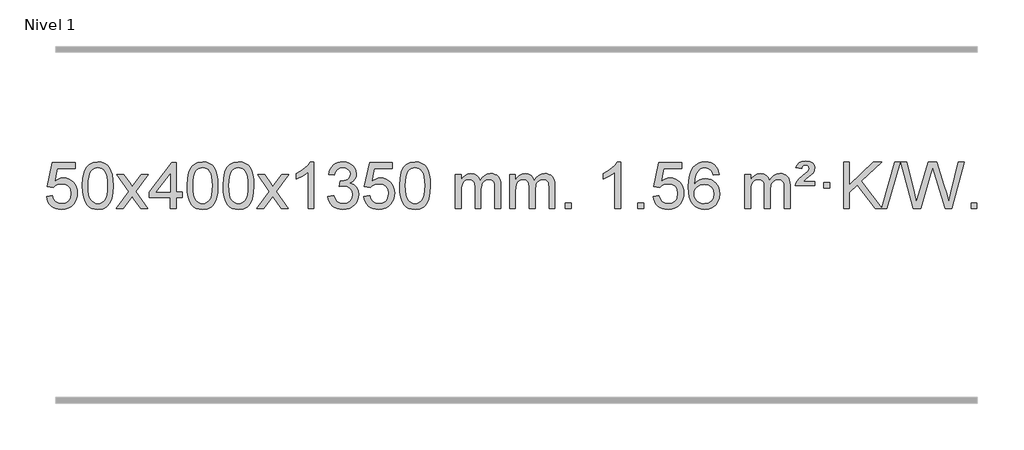
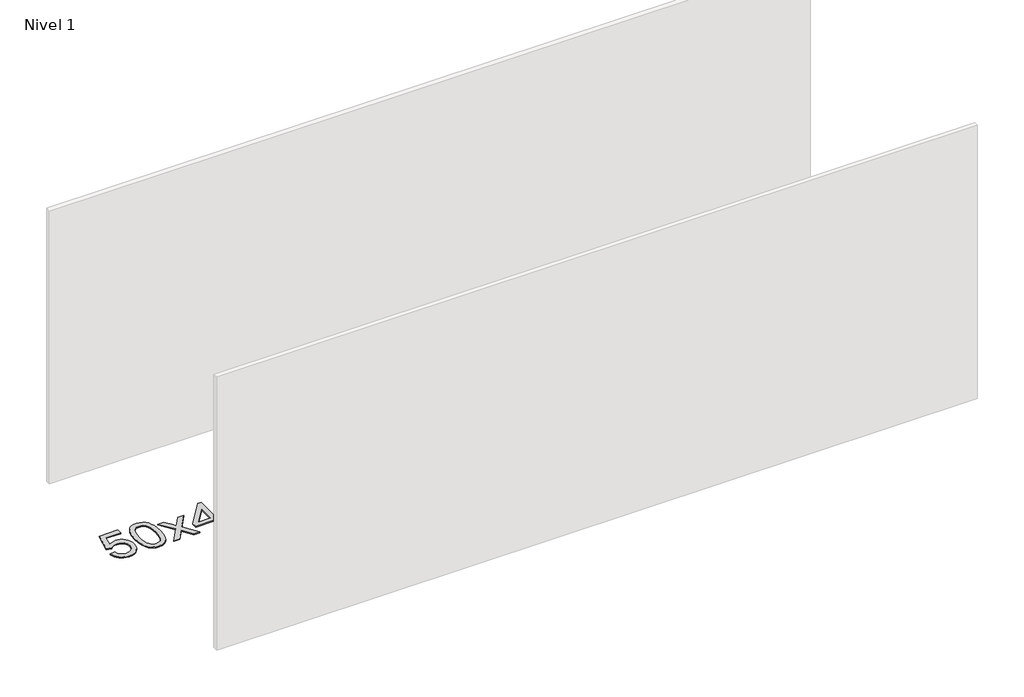
# One storey, part 8 of 18: 1 proxy.
"""IFC4 building model written with IfcOpenShell, lengths in millimetres."""

from ifc_helpers import new_model, si_unit, origin, origin_with_axes, place, context, project, spatial, polyline, outline, extrude, element, save

model = new_model("IFC4")

# Units and contexts
model_context = context("Model", 3, world=origin())
ifc_project = project(units=[si_unit("LENGTHUNIT", "METRE", prefix="MILLI")], contexts=[model_context])

# Site, building, storey
site = spatial("IfcSite", under=ifc_project)
building = spatial("IfcBuilding", under=site)
storey = spatial("IfcBuildingStorey", under=building, Name="Nivel 1", Elevation=0.0)

# Proxy
placement = place(None, origin())
element("IfcBuildingElementProxy", 1, Name="Texto de modelo 1", ObjectType="Texto de modelo 1", at=placement, inside=storey, context=model_context, shape_type="SweptSolid", body=[
    extrude(outline(polyline([(-25909.9934354, -284.8446235), (-25859.7652803, -278.5661041), (-25850.543705, -308.7201649), (-25834.454999, -330.3148381), (-25811.5727389, -343.3010725), (-25781.9705011, -347.6298173), (-25762.8406373, -346.1245668), (-25745.9671165, -341.6088153), (-25731.3499385, -334.0825628), (-25718.9891035, -323.5458094), (-25709.1605228, -310.519721), (-25702.1401081, -295.5254641), (-25696.5237763, -259.6324441), (-25701.7844888, -225.8363514), (-25708.3603795, -211.9181493), (-25717.5666264, -199.9865099), (-25729.4338865, -190.4154467), (-25743.9928164, -183.5789729), (-25781.1856861, -178.1097939), (-25805.5517369, -180.2925604), (-25825.2824746, -186.8408599), (-25841.0400868, -196.8717757), (-25853.4867609, -209.5023908), (-25903.714916, -203.2238715), (-25859.7652803, 3.9672682), (-25665.1311794, 3.9672682), (-25665.1311794, -46.2608869), (-25819.151108, -46.2608869), (-25840.6354166, -156.919791), (-25822.9096358, -144.2155994), (-25804.7546593, -135.1411769), (-25786.1704872, -129.6965234), (-25767.1571194, -127.8816388), (-25742.6960324, -130.1318504), (-25720.2276395, -136.882485), (-25699.7519408, -148.1335427), (-25681.2689362, -163.8850234), (-25665.9681109, -183.1743027), (-25655.03895, -205.038756), (-25648.4814534, -229.4783832), (-25646.2956212, -256.4931844), (-25648.2637899, -282.5147042), (-25654.1682959, -306.7213394), (-25664.0091393, -329.1130902), (-25677.78632, -349.6899565), (-25698.6574919, -370.7634634), (-25723.01128, -385.8159684), (-25750.8476843, -394.8474714), (-25782.1667048, -397.8579724), (-25808.087057, -395.9235262), (-25831.4996803, -390.1201877), (-25852.4045747, -380.447957), (-25870.8017402, -366.9068338), (-25886.1086968, -350.1712688), (-25897.7429649, -330.915712), (-25905.7045445, -309.1401636), (-25909.9934354, -284.8446235)])), origin_with_axes(), (0.0, 0.0, 1.0), 10.0),
    extrude(outline(polyline([(-25602.3459855, -193.9041943), (-25598.6549029, -129.5861588), (-25587.5816548, -78.2911459), (-25569.236606, -39.2343407), (-25557.378543, -24.0009605), (-25543.730121, -11.6309284), (-25528.2453547, -2.0598651), (-25510.8782588, 4.7766086), (-25470.4970785, 10.2457876), (-25439.5459399, 7.008426), (-25411.832163, -2.7036586), (-25388.6555973, -18.5103217), (-25371.3160926, -40.0314184), (-25358.2194935, -67.0830078), (-25347.7716449, -99.4811488), (-25340.9290398, -140.6226186), (-25338.6481714, -193.9041943), (-25342.3024659, -257.8543477), (-25353.2653493, -309.0267333), (-25371.5000336, -348.1203266), (-25383.3305054, -363.3996922), (-25396.9697304, -375.8341036), (-25412.4728908, -385.4695462), (-25429.8951689, -392.3520052), (-25470.4970785, -397.8579724), (-25498.1618045, -395.4667394), (-25522.6872709, -388.2930405), (-25544.0734775, -376.3368757), (-25562.3204245, -359.5982449), (-25579.8316074, -329.3399508), (-25592.3395953, -291.6381776), (-25599.844388, -246.4929255), (-25602.3459855, -193.9041943)]), holes=[polyline([(-25552.1178305, -193.8060924), (-25550.6463025, -237.4706195), (-25546.2317185, -272.8148822), (-25538.8740786, -299.8388804), (-25528.5733828, -318.5426142), (-25516.1144459, -331.2682656), (-25502.2820829, -340.3580165), (-25487.0762937, -345.8118671), (-25470.4970785, -347.6298173), (-25453.9178632, -345.8057357), (-25438.7120741, -340.3334911), (-25424.8797111, -331.2130833), (-25412.4207742, -318.4445124), (-25402.1200783, -299.7101217), (-25394.7624384, -272.6922549), (-25390.3478545, -237.3909118), (-25388.8763265, -193.8060924), (-25390.2988035, -151.2973278), (-25394.5662347, -116.5753989), (-25401.6786199, -89.6403055), (-25411.6359592, -70.4920476), (-25423.8864297, -57.1440625), (-25437.8782082, -47.6097875), (-25453.6112949, -41.8892225), (-25471.0856897, -39.9823675), (-25487.5790658, -41.6623619), (-25502.5273375, -46.7023452), (-25515.9305049, -55.1023175), (-25527.7885679, -66.8622786), (-25538.4326203, -87.708925), (-25546.0355148, -115.8151094), (-25550.5972516, -151.1808319), (-25552.1178305, -193.8060924)])]), origin_with_axes(), (0.0, 0.0, 1.0), 10.0),
    extrude(outline(polyline([(-25313.5340939, -391.579453), (-25206.2106531, -243.2494325), (-25307.2555745, -96.4890419), (-25246.8248254, -96.4890419), (-25198.0681983, -167.122385), (-25175.3085655, -200.4770192), (-25155.5900906, -173.2047007), (-25100.0644348, -96.4890419), (-25039.6336857, -96.4890419), (-25145.7799041, -243.2494325), (-25043.5577603, -391.579453), (-25103.9885094, -391.579453), (-25165.498379, -302.4048574), (-25176.7800935, -286.1199477), (-25253.1033448, -391.579453), (-25313.5340939, -391.579453)])), origin_with_axes(), (0.0, 0.0, 1.0), 10.0),
    extrude(outline(polyline([(-24848.9236594, -391.579453), (-24848.9236594, -297.4016622), (-25031.0007216, -297.4016622), (-25031.0007216, -247.1735072), (-24836.3666207, 3.9672682), (-24798.6955043, 3.9672682), (-24798.6955043, -247.1735072), (-24748.4673493, -247.1735072), (-24748.4673493, -297.4016622), (-24798.6955043, -297.4016622), (-24798.6955043, -391.579453), (-24848.9236594, -391.579453)]), holes=[polyline([(-24848.9236594, -247.1735072), (-24848.9236594, -91.9763561), (-24969.1965464, -247.1735072), (-24848.9236594, -247.1735072)])]), origin_with_axes(), (0.0, 0.0, 1.0), 10.0),
    extrude(outline(polyline([(-24704.5177136, -193.9041943), (-24700.8266309, -129.5861588), (-24689.7533828, -78.2911459), (-24671.408334, -39.2343407), (-24659.550271, -24.0009605), (-24645.901849, -11.6309284), (-24630.4170827, -2.0598651), (-24613.0499869, 4.7766086), (-24572.6688065, 10.2457876), (-24541.717668, 7.008426), (-24514.003891, -2.7036586), (-24490.8273253, -18.5103217), (-24473.4878206, -40.0314184), (-24460.3912216, -67.0830078), (-24449.9433729, -99.4811488), (-24443.1007678, -140.6226186), (-24440.8198994, -193.9041943), (-24444.4741939, -257.8543477), (-24455.4370774, -309.0267333), (-24473.6717616, -348.1203266), (-24485.5022334, -363.3996922), (-24499.1414584, -375.8341036), (-24514.6446188, -385.4695462), (-24532.066897, -392.3520052), (-24572.6688065, -397.8579724), (-24600.3335326, -395.4667394), (-24624.8589989, -388.2930405), (-24646.2452055, -376.3368757), (-24664.4921525, -359.5982449), (-24682.0033355, -329.3399508), (-24694.5113233, -291.6381776), (-24702.016116, -246.4929255), (-24704.5177136, -193.9041943)]), holes=[polyline([(-24654.2895585, -193.8060924), (-24652.8180305, -237.4706195), (-24648.4034466, -272.8148822), (-24641.0458067, -299.8388804), (-24630.7451108, -318.5426142), (-24618.2861739, -331.2682656), (-24604.4538109, -340.3580165), (-24589.2480218, -345.8118671), (-24572.6688065, -347.6298173), (-24556.0895913, -345.8057357), (-24540.8838021, -340.3334911), (-24527.0514391, -331.2130833), (-24514.5925022, -318.4445124), (-24504.2918063, -299.7101217), (-24496.9341664, -272.6922549), (-24492.5195825, -237.3909118), (-24491.0480545, -193.8060924), (-24492.4705316, -151.2973278), (-24496.7379627, -116.5753989), (-24503.8503479, -89.6403055), (-24513.8076873, -70.4920476), (-24526.0581577, -57.1440625), (-24540.0499363, -47.6097875), (-24555.7830229, -41.8892225), (-24573.2574177, -39.9823675), (-24589.7507938, -41.6623619), (-24604.6990656, -46.7023452), (-24618.1022329, -55.1023175), (-24629.9602959, -66.8622786), (-24640.6043483, -87.708925), (-24648.2072429, -115.8151094), (-24652.7689796, -151.1808319), (-24654.2895585, -193.8060924)])]), origin_with_axes(), (0.0, 0.0, 1.0), 10.0),
    extrude(outline(polyline([(-24396.8702638, -193.9041943), (-24393.1791811, -129.5861588), (-24382.105933, -78.2911459), (-24363.7608842, -39.2343407), (-24351.9028212, -24.0009605), (-24338.2543992, -11.6309284), (-24322.7696329, -2.0598651), (-24305.402537, 4.7766086), (-24265.0213567, 10.2457876), (-24234.0702182, 7.008426), (-24206.3564412, -2.7036586), (-24183.1798755, -18.5103217), (-24165.8403708, -40.0314184), (-24152.7437718, -67.0830078), (-24142.2959231, -99.4811488), (-24135.453318, -140.6226186), (-24133.1724496, -193.9041943), (-24136.8267441, -257.8543477), (-24147.7896275, -309.0267333), (-24166.0243118, -348.1203266), (-24177.8547836, -363.3996922), (-24191.4940086, -375.8341036), (-24206.997169, -385.4695462), (-24224.4194471, -392.3520052), (-24265.0213567, -397.8579724), (-24292.6860827, -395.4667394), (-24317.2115491, -388.2930405), (-24338.5977557, -376.3368757), (-24356.8447027, -359.5982449), (-24374.3558856, -329.3399508), (-24386.8638735, -291.6381776), (-24394.3686662, -246.4929255), (-24396.8702638, -193.9041943)]), holes=[polyline([(-24346.6421087, -193.8060924), (-24345.1705807, -237.4706195), (-24340.7559968, -272.8148822), (-24333.3983568, -299.8388804), (-24323.097661, -318.5426142), (-24310.6387241, -331.2682656), (-24296.8063611, -340.3580165), (-24281.6005719, -345.8118671), (-24265.0213567, -347.6298173), (-24248.4421414, -345.8057357), (-24233.2363523, -340.3334911), (-24219.4039893, -331.2130833), (-24206.9450524, -318.4445124), (-24196.6443565, -299.7101217), (-24189.2867166, -272.6922549), (-24184.8721327, -237.3909118), (-24183.4006047, -193.8060924), (-24184.8230817, -151.2973278), (-24189.0905129, -116.5753989), (-24196.2028981, -89.6403055), (-24206.1602375, -70.4920476), (-24218.4107079, -57.1440625), (-24232.4024864, -47.6097875), (-24248.1355731, -41.8892225), (-24265.6099679, -39.9823675), (-24282.103344, -41.6623619), (-24297.0516157, -46.7023452), (-24310.4547831, -55.1023175), (-24322.3128461, -66.8622786), (-24332.9568985, -87.708925), (-24340.559793, -115.8151094), (-24345.1215298, -151.1808319), (-24346.6421087, -193.8060924)])]), origin_with_axes(), (0.0, 0.0, 1.0), 10.0),
    extrude(outline(polyline([(-24108.0583721, -391.579453), (-24000.7349313, -243.2494325), (-24101.7798527, -96.4890419), (-24041.3491036, -96.4890419), (-23992.5924765, -167.122385), (-23969.8328437, -200.4770192), (-23950.1143688, -173.2047007), (-23894.588713, -96.4890419), (-23834.1579639, -96.4890419), (-23940.3041823, -243.2494325), (-23838.0820385, -391.579453), (-23898.5127876, -391.579453), (-23960.0226572, -302.4048574), (-23971.3043717, -286.1199477), (-24047.627623, -391.579453), (-24108.0583721, -391.579453)])), origin_with_axes(), (0.0, 0.0, 1.0), 10.0),
    extrude(outline(polyline([(-23618.3338601, -391.579453), (-23668.5620152, -391.579453), (-23668.5620152, -78.4382987), (-23689.5312889, -95.3976587), (-23716.1414199, -112.3324932), (-23769.0183253, -137.6918254), (-23769.0183253, -90.2105225), (-23729.5691127, -68.7507395), (-23695.3928753, -43.219729), (-23668.4516506, -16.0700378), (-23650.7074757, 10.2457876), (-23618.3338601, 10.2457876), (-23618.3338601, -391.579453)])), origin_with_axes(), (0.0, 0.0, 1.0), 10.0),
    extrude(outline(polyline([(-23499.0419918, -284.8446235), (-23448.8138367, -278.5661041), (-23437.5689104, -310.1303793), (-23421.1000597, -331.4430095), (-23398.5979444, -343.5831154), (-23369.2532239, -347.6298173), (-23334.8194691, -342.0625364), (-23320.5456477, -335.1034354), (-23308.2338636, -325.3606939), (-23291.2377154, -300.4428201), (-23285.5723327, -270.2274455), (-23291.1886645, -241.5449126), (-23308.0376599, -218.2825078), (-23333.5441449, -202.8682522), (-23365.1329455, -197.730167), (-23400.3515152, -203.2238715), (-23394.7597089, -152.9957164), (-23386.7153559, -153.5843276), (-23356.6226087, -149.979084), (-23329.7181721, -139.1633534), (-23318.6449241, -130.9841103), (-23310.7354612, -120.8673555), (-23305.9897835, -108.8130888), (-23304.4078909, -94.8213102), (-23308.9941531, -73.1285352), (-23322.7529397, -55.5315131), (-23343.7467389, -43.8696539), (-23370.0380388, -39.9823675), (-23396.3783897, -43.9064421), (-23417.9117491, -55.6786659), (-23433.632573, -75.299039), (-23442.5353173, -102.7675613), (-23492.7634724, -96.4890419), (-23486.8099154, -72.5092672), (-23477.9746162, -51.3867093), (-23466.2575747, -33.1213683), (-23451.6587908, -17.713244), (-23434.6381172, -5.4811677), (-23415.6554062, 3.2560297), (-23394.710658, 8.4983481), (-23371.8038724, 10.2457876), (-23340.2273345, 6.7999596), (-23311.2259705, -3.5375245), (-23286.7740806, -19.8469596), (-23268.8459647, -41.2086408), (-23257.846293, -65.8199463), (-23254.1797358, -91.8782543), (-23257.662352, -116.1584659), (-23268.1102007, -138.1823347), (-23285.376129, -156.9443165), (-23309.3129841, -171.4388671), (-23277.8713363, -184.1430586), (-23254.5721433, -205.77452), (-23240.151169, -235.1560286), (-23235.3441776, -271.1103623), (-23237.7476733, -296.5923218), (-23244.9581605, -320.0631931), (-23256.975639, -341.5229762), (-23273.8001089, -360.971671), (-23294.2972674, -377.1094278), (-23317.3328116, -388.636397), (-23342.9067417, -395.5525785), (-23371.0190575, -397.8579724), (-23396.4274406, -395.8898037), (-23419.5794808, -389.9852977), (-23440.4751782, -380.1444543), (-23459.1145326, -366.3672736), (-23474.743386, -349.4630959), (-23486.6075804, -330.2412617), (-23494.7071156, -308.7017708), (-23499.0419918, -284.8446235)])), origin_with_axes(), (0.0, 0.0, 1.0), 10.0),
    extrude(outline(polyline([(-23191.394542, -284.8446235), (-23141.1663869, -278.5661041), (-23131.9448115, -308.7201649), (-23115.8561056, -330.3148381), (-23092.9738455, -343.3010725), (-23063.3716076, -347.6298173), (-23044.2417439, -346.1245668), (-23027.368223, -341.6088153), (-23012.7510451, -334.0825628), (-23000.3902101, -323.5458094), (-22990.5616294, -310.519721), (-22983.5412147, -295.5254641), (-22977.9248829, -259.6324441), (-22983.1855954, -225.8363514), (-22989.7614861, -211.9181493), (-22998.967733, -199.9865099), (-23010.834993, -190.4154467), (-23025.393923, -183.5789729), (-23062.5867927, -178.1097939), (-23086.9528435, -180.2925604), (-23106.6835812, -186.8408599), (-23122.4411933, -196.8717757), (-23134.8878675, -209.5023908), (-23185.1160226, -203.2238715), (-23141.1663869, 3.9672682), (-22946.532286, 3.9672682), (-22946.532286, -46.2608869), (-23100.5522146, -46.2608869), (-23122.0365231, -156.919791), (-23104.3107423, -144.2155994), (-23086.1557659, -135.1411769), (-23067.5715937, -129.6965234), (-23048.558226, -127.8816388), (-23024.097139, -130.1318504), (-23001.6287461, -136.882485), (-22981.1530474, -148.1335427), (-22962.6700428, -163.8850234), (-22947.3692175, -183.1743027), (-22936.4400566, -205.038756), (-22929.88256, -229.4783832), (-22927.6967278, -256.4931844), (-22929.6648965, -282.5147042), (-22935.5694025, -306.7213394), (-22945.4102459, -329.1130902), (-22959.1874266, -349.6899565), (-22980.0585985, -370.7634634), (-23004.4123865, -385.8159684), (-23032.2487908, -394.8474714), (-23063.5678114, -397.8579724), (-23089.4881636, -395.9235262), (-23112.9007869, -390.1201877), (-23133.8056813, -380.447957), (-23152.2028467, -366.9068338), (-23167.5098034, -350.1712688), (-23179.1440715, -330.915712), (-23187.105651, -309.1401636), (-23191.394542, -284.8446235)])), origin_with_axes(), (0.0, 0.0, 1.0), 10.0),
    extrude(outline(polyline([(-22883.7470921, -193.9041943), (-22880.0560094, -129.5861588), (-22868.9827614, -78.2911459), (-22850.6377126, -39.2343407), (-22838.7796496, -24.0009605), (-22825.1312276, -11.6309284), (-22809.6464612, -2.0598651), (-22792.2793654, 4.7766086), (-22751.8981851, 10.2457876), (-22720.9470465, 7.008426), (-22693.2332696, -2.7036586), (-22670.0567039, -18.5103217), (-22652.7171992, -40.0314184), (-22639.6206001, -67.0830078), (-22629.1727515, -99.4811488), (-22622.3301463, -140.6226186), (-22620.049278, -193.9041943), (-22623.7035725, -257.8543477), (-22634.6664559, -309.0267333), (-22652.9011401, -348.1203266), (-22664.731612, -363.3996922), (-22678.3708369, -375.8341036), (-22693.8739974, -385.4695462), (-22711.2962755, -392.3520052), (-22751.8981851, -397.8579724), (-22779.5629111, -395.4667394), (-22804.0883774, -388.2930405), (-22825.4745841, -376.3368757), (-22843.721531, -359.5982449), (-22861.232714, -329.3399508), (-22873.7407019, -291.6381776), (-22881.2454946, -246.4929255), (-22883.7470921, -193.9041943)]), holes=[polyline([(-22833.518937, -193.8060924), (-22832.0474091, -237.4706195), (-22827.6328251, -272.8148822), (-22820.2751852, -299.8388804), (-22809.9744894, -318.5426142), (-22797.5155525, -331.2682656), (-22783.6831894, -340.3580165), (-22768.4774003, -345.8118671), (-22751.8981851, -347.6298173), (-22735.3189698, -345.8057357), (-22720.1131807, -340.3334911), (-22706.2808176, -331.2130833), (-22693.8218807, -318.4445124), (-22683.5211849, -299.7101217), (-22676.163545, -272.6922549), (-22671.748961, -237.3909118), (-22670.2774331, -193.8060924), (-22671.6999101, -151.2973278), (-22675.9673412, -116.5753989), (-22683.0797265, -89.6403055), (-22693.0370658, -70.4920476), (-22705.2875363, -57.1440625), (-22719.2793148, -47.6097875), (-22735.0124015, -41.8892225), (-22752.4867962, -39.9823675), (-22768.9801724, -41.6623619), (-22783.9284441, -46.7023452), (-22797.3316115, -55.1023175), (-22809.1896744, -66.8622786), (-22819.8337268, -87.708925), (-22827.4366214, -115.8151094), (-22831.9983581, -151.1808319), (-22833.518937, -193.8060924)])]), origin_with_axes(), (0.0, 0.0, 1.0), 10.0),
    extrude(outline(polyline([(-22406.5796189, -391.579453), (-22406.5796189, -96.4890419), (-22356.3514638, -96.4890419), (-22356.3514638, -145.0494653), (-22341.2437766, -122.7435536), (-22321.8196072, -105.2691589), (-22298.7411434, -93.9751816), (-22272.6705727, -90.2105225), (-22244.7360665, -94.048758), (-22222.3443157, -105.5634645), (-22205.6179477, -123.9943524), (-22194.6795897, -148.5811324), (-22176.3713291, -123.0439906), (-22155.4878945, -104.803175), (-22132.0292859, -93.8586857), (-22105.9955034, -90.2105225), (-22085.8876867, -91.7280358), (-22068.2385479, -96.2805755), (-22053.0480872, -103.8681416), (-22040.3163045, -114.4907342), (-22030.2516663, -128.2709806), (-22023.0626389, -145.3315082), (-22018.7492225, -165.6723168), (-22017.3114171, -189.2934066), (-22017.3114171, -391.579453), (-22067.5395722, -391.579453), (-22067.5395722, -210.875817), (-22068.7045318, -185.8230531), (-22072.1994108, -168.9372695), (-22078.7477103, -157.3735121), (-22089.0729316, -148.2868268), (-22102.3534716, -142.4007149), (-22117.7677272, -140.4386776), (-22144.9787321, -145.4663982), (-22167.1620165, -160.54956), (-22175.7673895, -172.1194488), (-22181.9140845, -186.7182326), (-22186.8314405, -225.0024856), (-22186.8314405, -391.579453), (-22237.0595955, -391.579453), (-22237.0595955, -205.2840106), (-22239.9658633, -176.8835206), (-22248.6846666, -156.6254854), (-22264.0253458, -144.4853796), (-22286.7972413, -140.4386776), (-22306.1478342, -143.1364789), (-22323.9778483, -151.2298828), (-22338.6931281, -164.5226856), (-22348.6995183, -182.8186835), (-22354.4384775, -208.2025411), (-22356.3514638, -242.7589232), (-22356.3514638, -391.579453), (-22406.5796189, -391.579453)])), origin_with_axes(), (0.0, 0.0, 1.0), 10.0),
    extrude(outline(polyline([(-21941.9691845, -391.579453), (-21941.9691845, -96.4890419), (-21891.7410294, -96.4890419), (-21891.7410294, -145.0494653), (-21876.6333421, -122.7435536), (-21857.2091728, -105.2691589), (-21834.130709, -93.9751816), (-21808.0601382, -90.2105225), (-21780.1256321, -94.048758), (-21757.7338813, -105.5634645), (-21741.0075132, -123.9943524), (-21730.0691552, -148.5811324), (-21711.7608946, -123.0439906), (-21690.87746, -104.803175), (-21667.4188515, -93.8586857), (-21641.3850689, -90.2105225), (-21621.2772522, -91.7280358), (-21603.6281135, -96.2805755), (-21588.4376528, -103.8681416), (-21575.7058701, -114.4907342), (-21565.6412318, -128.2709806), (-21558.4522045, -145.3315082), (-21554.1387881, -165.6723168), (-21552.7009826, -189.2934066), (-21552.7009826, -391.579453), (-21602.9291377, -391.579453), (-21602.9291377, -210.875817), (-21604.0940974, -185.8230531), (-21607.5889763, -168.9372695), (-21614.1372758, -157.3735121), (-21624.4624972, -148.2868268), (-21637.7430372, -142.4007149), (-21653.1572928, -140.4386776), (-21680.3682977, -145.4663982), (-21702.551582, -160.54956), (-21711.156955, -172.1194488), (-21717.30365, -186.7182326), (-21722.221006, -225.0024856), (-21722.221006, -391.579453), (-21772.4491611, -391.579453), (-21772.4491611, -205.2840106), (-21775.3554289, -176.8835206), (-21784.0742321, -156.6254854), (-21799.4149113, -144.4853796), (-21822.1868068, -140.4386776), (-21841.5373998, -143.1364789), (-21859.3674138, -151.2298828), (-21874.0826936, -164.5226856), (-21884.0890839, -182.8186835), (-21889.828043, -208.2025411), (-21891.7410294, -242.7589232), (-21891.7410294, -391.579453), (-21941.9691845, -391.579453)])), origin_with_axes(), (0.0, 0.0, 1.0), 10.0),
    extrude(outline(polyline([(-21464.8017113, -391.579453), (-21464.8017113, -341.3512979), (-21414.5735562, -341.3512979), (-21414.5735562, -391.579453), (-21464.8017113, -391.579453)])), origin_with_axes(), (0.0, 0.0, 1.0), 10.0),
    extrude(outline(polyline([(-20987.634238, -391.579453), (-21037.8623931, -391.579453), (-21037.8623931, -78.4382987), (-21058.8316668, -95.3976587), (-21085.4417978, -112.3324932), (-21138.3187033, -137.6918254), (-21138.3187033, -90.2105225), (-21098.8694907, -68.7507395), (-21064.6932533, -43.219729), (-21037.7520285, -16.0700378), (-21020.0078536, 10.2457876), (-20987.634238, 10.2457876), (-20987.634238, -391.579453)])), origin_with_axes(), (0.0, 0.0, 1.0), 10.0),
    extrude(outline(polyline([(-20843.2282922, -391.579453), (-20843.2282922, -341.3512979), (-20793.0001371, -341.3512979), (-20793.0001371, -391.579453), (-20843.2282922, -391.579453)])), origin_with_axes(), (0.0, 0.0, 1.0), 10.0),
    extrude(outline(polyline([(-20711.3793851, -284.8446235), (-20661.1512301, -278.5661041), (-20651.9296547, -308.7201649), (-20635.8409488, -330.3148381), (-20612.9586887, -343.3010725), (-20583.3564508, -347.6298173), (-20564.2265871, -346.1245668), (-20547.3530662, -341.6088153), (-20532.7358883, -334.0825628), (-20520.3750532, -323.5458094), (-20510.5464726, -310.519721), (-20503.5260579, -295.5254641), (-20497.9097261, -259.6324441), (-20503.1704386, -225.8363514), (-20509.7463293, -211.9181493), (-20518.9525762, -199.9865099), (-20530.8198362, -190.4154467), (-20545.3787662, -183.5789729), (-20582.5716359, -178.1097939), (-20606.9376867, -180.2925604), (-20626.6684244, -186.8408599), (-20642.4260365, -196.8717757), (-20654.8727107, -209.5023908), (-20705.1008658, -203.2238715), (-20661.1512301, 3.9672682), (-20466.5171291, 3.9672682), (-20466.5171291, -46.2608869), (-20620.5370578, -46.2608869), (-20642.0213663, -156.919791), (-20624.2955855, -144.2155994), (-20606.1406091, -135.1411769), (-20587.5564369, -129.6965234), (-20568.5430691, -127.8816388), (-20544.0819821, -130.1318504), (-20521.6135893, -136.882485), (-20501.1378906, -148.1335427), (-20482.654886, -163.8850234), (-20467.3540607, -183.1743027), (-20456.4248997, -205.038756), (-20449.8674032, -229.4783832), (-20447.681571, -256.4931844), (-20449.6497397, -282.5147042), (-20455.5542457, -306.7213394), (-20465.3950891, -329.1130902), (-20479.1722698, -349.6899565), (-20500.0434416, -370.7634634), (-20524.3972297, -385.8159684), (-20552.233634, -394.8474714), (-20583.5526545, -397.8579724), (-20609.4730068, -395.9235262), (-20632.8856301, -390.1201877), (-20653.7905245, -380.447957), (-20672.1876899, -366.9068338), (-20687.4946466, -350.1712688), (-20699.1289147, -330.915712), (-20707.0904942, -309.1401636), (-20711.3793851, -284.8446235)])), origin_with_axes(), (0.0, 0.0, 1.0), 10.0),
    extrude(outline(polyline([(-20146.3126405, -96.4890419), (-20196.5407956, -102.7675613), (-20204.6341995, -77.874213), (-20215.5725575, -60.8780648), (-20238.3567157, -45.2062918), (-20265.8988144, -39.9823675), (-20289.2470584, -43.0235253), (-20311.2218763, -52.1469988), (-20330.0942226, -71.3627017), (-20345.5084782, -97.8134171), (-20355.9195387, -135.227016), (-20359.7822996, -187.3313693), (-20339.634629, -163.8237098), (-20315.4893074, -147.2567573), (-20288.6952354, -137.434308), (-20260.6013137, -134.1601582), (-20236.4682548, -136.398107), (-20214.1991314, -143.1119534), (-20193.7939434, -154.3016975), (-20175.2526908, -169.9673391), (-20159.8445666, -189.1769106), (-20148.8387636, -210.9984443), (-20142.2352818, -235.4319401), (-20140.0341212, -262.4773982), (-20144.178925, -298.4439945), (-20156.6133364, -331.786366), (-20176.3072859, -360.0642287), (-20202.2307038, -380.8372987), (-20233.2063678, -393.602804), (-20268.0570555, -397.8579724), (-20297.9995842, -395.0375437), (-20325.0419765, -386.5762579), (-20349.1842325, -372.4741147), (-20370.426352, -352.7311143), (-20387.7443969, -326.5133908), (-20400.114429, -292.9870783), (-20407.5364483, -252.1521768), (-20410.0104547, -204.0086864), (-20407.2636025, -150.0342663), (-20399.0230458, -103.9693092), (-20385.2887846, -65.8138149), (-20366.060819, -35.5677835), (-20345.220304, -15.5243462), (-20321.0565883, -1.2076052), (-20293.5696718, 7.3824394), (-20262.7595548, 10.2457876), (-20239.6259086, 8.4738227), (-20218.6872917, 3.1579278), (-20199.9437041, -5.7018969), (-20183.3951457, -18.1056515), (-20169.4892062, -33.6364031), (-20158.6734756, -51.8772186), (-20150.9479537, -72.8280983), (-20146.3126405, -96.4890419)]), holes=[polyline([(-20359.7822996, -261.6925832), (-20356.8760319, -283.9494439), (-20348.1572286, -305.2007605), (-20334.6191711, -323.472233), (-20317.255141, -336.7895612), (-20296.29813, -344.9197533), (-20271.9811301, -347.6298173), (-20238.8349623, -342.0134855), (-20224.9198259, -334.9930708), (-20212.7766543, -325.1644901), (-20202.9266139, -312.9262824), (-20195.8908708, -298.6769865), (-20190.2622762, -264.1451299), (-20195.8172944, -230.9989621), (-20202.761067, -217.3781312), (-20212.4823487, -205.725469), (-20224.6623085, -196.3904634), (-20238.9821151, -189.7226022), (-20274.0412693, -184.3883133), (-20307.1383861, -189.7226022), (-20334.8153749, -205.725469), (-20345.7384044, -217.2248471), (-20353.5405684, -230.3858254), (-20358.2218668, -245.2084042), (-20359.7822996, -261.6925832)])]), origin_with_axes(), (0.0, 0.0, 1.0), 10.0),
    extrude(outline(polyline([(-19926.5644621, -391.579453), (-19926.5644621, -96.4890419), (-19876.336307, -96.4890419), (-19876.336307, -145.0494653), (-19861.2286197, -122.7435536), (-19841.8044504, -105.2691589), (-19818.7259866, -93.9751816), (-19792.6554158, -90.2105225), (-19764.7209097, -94.048758), (-19742.3291589, -105.5634645), (-19725.6027909, -123.9943524), (-19714.6644329, -148.5811324), (-19696.3561722, -123.0439906), (-19675.4727377, -104.803175), (-19652.0141291, -93.8586857), (-19625.9803466, -90.2105225), (-19605.8725298, -91.7280358), (-19588.2233911, -96.2805755), (-19573.0329304, -103.8681416), (-19560.3011477, -114.4907342), (-19550.2365094, -128.2709806), (-19543.0474821, -145.3315082), (-19538.7340657, -165.6723168), (-19537.2962603, -189.2934066), (-19537.2962603, -391.579453), (-19587.5244153, -391.579453), (-19587.5244153, -210.875817), (-19588.689375, -185.8230531), (-19592.1842539, -168.9372695), (-19598.7325535, -157.3735121), (-19609.0577748, -148.2868268), (-19622.3383148, -142.4007149), (-19637.7525704, -140.4386776), (-19664.9635753, -145.4663982), (-19687.1468596, -160.54956), (-19695.7522326, -172.1194488), (-19701.8989276, -186.7182326), (-19706.8162836, -225.0024856), (-19706.8162836, -391.579453), (-19757.0444387, -391.579453), (-19757.0444387, -205.2840106), (-19759.9507065, -176.8835206), (-19768.6695098, -156.6254854), (-19784.010189, -144.4853796), (-19806.7820845, -140.4386776), (-19826.1326774, -143.1364789), (-19843.9626914, -151.2298828), (-19858.6779713, -164.5226856), (-19868.6843615, -182.8186835), (-19874.4233206, -208.2025411), (-19876.336307, -242.7589232), (-19876.336307, -391.579453), (-19926.5644621, -391.579453)])), origin_with_axes(), (0.0, 0.0, 1.0), 10.0),
    extrude(outline(polyline([(-19493.3466246, -190.6668327), (-19489.5206518, -174.8479069), (-19481.1819933, -158.9799302), (-19459.6731593, -133.8413272), (-19427.7164766, -106.1030247), (-19383.5706372, -68.726214), (-19376.4337265, -57.1992448), (-19374.0547563, -45.3779701), (-19375.9432172, -33.2869152), (-19381.6085999, -23.5012541), (-19390.977328, -17.026531), (-19403.9758252, -14.8682899), (-19416.4102366, -16.4869707), (-19425.26393, -21.343013), (-19431.6896022, -30.8098431), (-19436.8399501, -46.2608869), (-19487.0681052, -39.9823675), (-19476.2278491, -14.7701881), (-19459.5995829, 2.7900458), (-19435.834406, 13.0907417), (-19403.5834178, 16.524307), (-19367.8007624, 12.3917659), (-19343.0545668, -0.0058573), (-19328.6335926, -18.3386434), (-19323.8266012, -40.2766731), (-19327.9223541, -63.1834586), (-19340.2096127, -84.8149199), (-19360.737428, -104.6314968), (-19397.2067965, -132.6886303), (-19422.8113834, -159.2742358), (-19323.8266012, -159.2742358), (-19323.8266012, -190.6668327), (-19493.3466246, -190.6668327)])), origin_with_axes(), (0.0, 0.0, 1.0), 10.0),
    extrude(outline(polyline([(-19248.4843686, -215.7809102), (-19248.4843686, -165.5527552), (-19198.2562135, -165.5527552), (-19198.2562135, -215.7809102), (-19248.4843686, -215.7809102)])), origin_with_axes(), (0.0, 0.0, 1.0), 10.0),
    extrude(outline(polyline([(-18807.6145856, -391.579453), (-18961.045903, -188.9009991), (-19028.7361901, -253.4520265), (-19028.7361901, -391.579453), (-19078.9643452, -391.579453), (-19078.9643452, 10.2457876), (-19028.7361901, 10.2457876), (-19028.7361901, -186.4484525), (-18822.7222728, 10.2457876), (-18752.4813372, 10.2457876), (-18925.4349259, -154.9577537), (-18750.781316, -385.5349332), (-18639.4679883, 10.2457876), (-18594.1449265, 10.2457876), (-18707.1582754, -391.579453), (-18746.2028178, -391.579453), (-18752.4813372, -391.579453), (-18807.6145856, -391.579453)])), origin_with_axes(), (0.0, 0.0, 1.0), 10.0),
    extrude(outline(polyline([(-18479.6600496, -391.579453), (-18589.2398332, 10.2457876), (-18537.4420483, 10.2457876), (-18473.8720395, -253.844434), (-18454.2516665, -335.3670841), (-18433.2578673, -263.2622131), (-18353.5991526, 10.2457876), (-18278.943633, 10.2457876), (-18221.0635325, -188.0180823), (-18196.268286, -261.5944814), (-18177.9968136, -335.3670841), (-18158.9650517, -256.1988788), (-18094.8064317, 10.2457876), (-18043.0086468, 10.2457876), (-18152.6865323, -391.579453), (-18206.3482526, -391.579453), (-18302.6842845, -81.5775584), (-18316.12424, -38.3146358), (-18331.2319273, -90.4067263), (-18419.0330968, -391.579453), (-18479.6600496, -391.579453)])), origin_with_axes(), (0.0, 0.0, 1.0), 10.0),
    extrude(outline(polyline([(-17986.5019723, -391.579453), (-17986.5019723, -341.3512979), (-17936.2738173, -341.3512979), (-17936.2738173, -391.579453), (-17986.5019723, -391.579453)])), origin_with_axes(), (0.0, 0.0, 1.0), 10.0),
])

save(model, "model.ifc")
